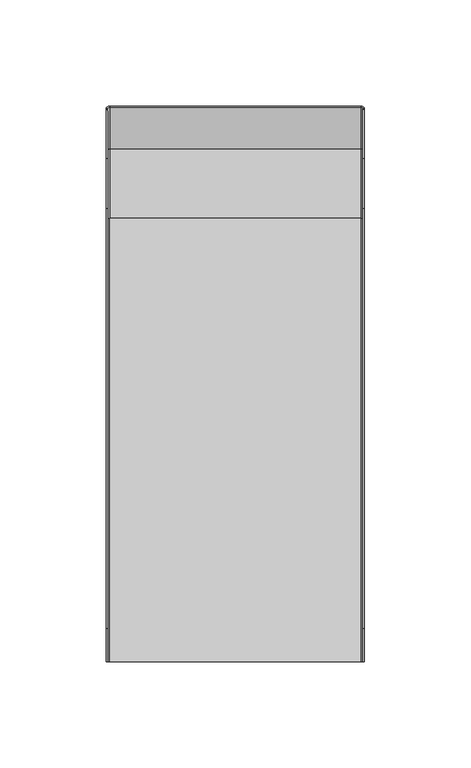
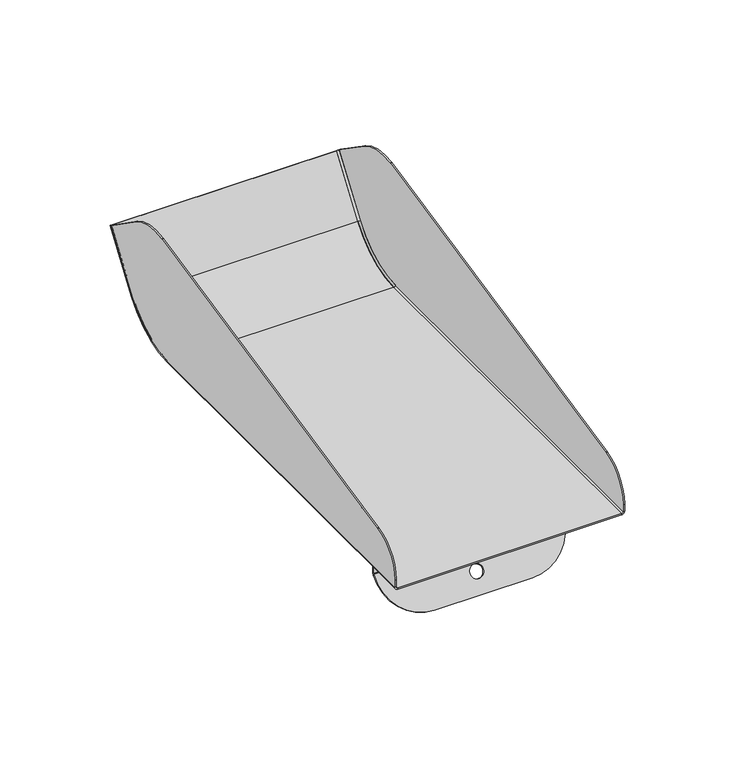
"""IFC4 building model written with IfcOpenShell, lengths in millimetres: proxy geometry."""

import ifcopenshell
import ifcopenshell.guid

model = None  # the IFC model being written
_history = None  # IfcOwnerHistory: only IFC2X3 demands one
_inside = {}  # id of a spatial element -> (the spatial element, [elements in it])
_under = {}  # id of a project, library or spatial element -> (it, [spatial elements below it])
_declared = {}  # id of a project -> (the project, [libraries it declares])
_typed = {}  # id of a type object -> (the type object, [elements of that type])
_made_of = {}  # id of a material, layer set ... -> (it, [elements and type objects made of it])


def new_model(schema):
    """Start an empty IFC model of exactly this schema.

    Asked for "IFC4X3", IfcOpenShell would pick the latest addendum, in which some entities
    have other attributes; the version numbers below select the first issue.
    IFC2X3 requires an IfcOwnerHistory on every rooted entity: one is made here for all.
    """
    global model, _history
    if schema == "IFC4X3":
        model = ifcopenshell.file(schema_version=(4, 3, 0, 0))
    else:
        model = ifcopenshell.file(schema=schema)
    _inside.clear()
    _under.clear()
    _declared.clear()
    _typed.clear()
    _made_of.clear()
    _history = None
    if model.schema == "IFC2X3":
        org = make("IfcOrganization", Name="unknown")
        user = make(
            "IfcPersonAndOrganization",
            ThePerson=make("IfcPerson", FamilyName="unknown"),
            TheOrganization=org,
        )
        app = make(
            "IfcApplication",
            ApplicationDeveloper=org,
            Version="unknown",
            ApplicationFullName="unknown",
            ApplicationIdentifier="unknown",
        )
        _history = make(
            "IfcOwnerHistory",
            OwningUser=user,
            OwningApplication=app,
            ChangeAction="ADDED",
            CreationDate=0,
        )
    return model


def make(cls, **values):
    """One entity of the class cls with the attributes given. An attribute that is None is left unset."""
    return model.create_entity(
        cls, **{name: value for name, value in values.items() if value is not None}
    )


def rooted(cls, **values):
    """An entity with a GlobalId (a new one), such as an element, a storey or a relation."""
    return make(cls, GlobalId=ifcopenshell.guid.new(), OwnerHistory=_history, **values)


def si_unit(unit_type, name, prefix=None):
    """IfcSIUnit, for example si_unit("LENGTHUNIT", "METRE", prefix="MILLI")."""
    return make("IfcSIUnit", UnitType=unit_type, Prefix=prefix, Name=name)


def assignment(units):
    """IfcUnitAssignment: the units of a project."""
    return None if units is None else make("IfcUnitAssignment", Units=units)


def point(xyz):
    """IfcCartesianPoint."""
    return None if xyz is None else make("IfcCartesianPoint", Coordinates=xyz)


def direction(xyz):
    """IfcDirection."""
    return None if xyz is None else make("IfcDirection", DirectionRatios=xyz)


def frame(location, z_axis=None, x_axis=None):
    """IfcAxis2Placement3D, a coordinate frame: its origin and axes. An axis left out is left unset."""
    return make(
        "IfcAxis2Placement3D",
        Location=point(location),
        Axis=direction(z_axis),
        RefDirection=direction(x_axis),
    )


def origin():
    """The frame at (0, 0, 0) with its axes left unset."""
    return frame((0.0, 0.0, 0.0))


def place(relative_to, where):
    """IfcLocalPlacement: puts the frame where relative to a parent placement (None: the world)."""
    return make(
        "IfcLocalPlacement", PlacementRelTo=relative_to, RelativePlacement=where
    )


def context(
    kind, dimensions, precision=None, world=None, true_north=None, identifier=None
):
    """IfcGeometricRepresentationContext, for example the 3D "Model" context."""
    return make(
        "IfcGeometricRepresentationContext",
        ContextIdentifier=identifier,
        ContextType=kind,
        CoordinateSpaceDimension=dimensions,
        Precision=precision,
        WorldCoordinateSystem=world,
        TrueNorth=true_north,
    )


def project(units=None, contexts=None):
    """IfcProject with its units and contexts."""
    return rooted(
        "IfcProject",
        Name="project",
        RepresentationContexts=contexts,
        UnitsInContext=assignment(units),
    )


def spatial(cls, under=None, at=None, **own):
    """A site, building, storey or space (cls), placed at a placement, below another one or the project."""
    s = rooted(cls, ObjectPlacement=at, **own)
    if under is not None:
        _under.setdefault(under.id(), (under, []))[1].append(s)
    return s


def polyline(points):
    """IfcPolyline through the points."""
    return make("IfcPolyline", Points=[point(p) for p in points])


def circle_curve(where, radius):
    """IfcCircle in the frame where."""
    return make("IfcCircle", Position=where, Radius=radius)


def ellipse_curve(where, semi_axis1, semi_axis2):
    """IfcEllipse in the frame where."""
    return make(
        "IfcEllipse", Position=where, SemiAxis1=semi_axis1, SemiAxis2=semi_axis2
    )


def trimmed(basis, trim1, trim2, sense, master):
    """IfcTrimmedCurve: the piece of a basis curve between two trims."""
    return make(
        "IfcTrimmedCurve",
        BasisCurve=basis,
        Trim1=trim1,
        Trim2=trim2,
        SenseAgreement=sense,
        MasterRepresentation=master,
    )


def shape(context_of_items, identifier, shape_type, items):
    """IfcShapeRepresentation: the items that make up one representation, for example the "Body"."""
    return make(
        "IfcShapeRepresentation",
        ContextOfItems=context_of_items,
        RepresentationIdentifier=identifier,
        RepresentationType=shape_type,
        Items=items,
    )


def source(mapping_origin, context_of_items, identifier, shape_type, items):
    """IfcRepresentationMap: a shape defined once, which mapped items show again and again."""
    return make(
        "IfcRepresentationMap",
        MappingOrigin=mapping_origin,
        MappedRepresentation=shape(context_of_items, identifier, shape_type, items),
    )


def transform(
    local_origin,
    x_axis=None,
    y_axis=None,
    z_axis=None,
    scale=None,
    scale2=None,
    scale3=None,
    uniform=True,
):
    """IfcCartesianTransformationOperator3D, or its non-uniform kind. x_axis, y_axis, z_axis: its Axis1, 2, 3."""
    if uniform:
        return make(
            "IfcCartesianTransformationOperator3D",
            Axis1=direction(x_axis),
            Axis2=direction(y_axis),
            LocalOrigin=point(local_origin),
            Scale=scale,
            Axis3=direction(z_axis),
        )
    return make(
        "IfcCartesianTransformationOperator3DnonUniform",
        Axis1=direction(x_axis),
        Axis2=direction(y_axis),
        LocalOrigin=point(local_origin),
        Scale=scale,
        Axis3=direction(z_axis),
        Scale2=scale2,
        Scale3=scale3,
    )


def mapped(mapping_source, mapping_target):
    """IfcMappedItem: shows the shape of a source again, moved by a transform."""
    return make(
        "IfcMappedItem", MappingSource=mapping_source, MappingTarget=mapping_target
    )


def made_of(thing, what):
    """Note that an element or type object is made of a material, layer set ...; save() writes the relation."""
    if what is not None:
        _made_of.setdefault(what.id(), (what, []))[1].append(thing)
    return thing


def element(
    cls,
    number,
    at=None,
    inside=None,
    cuts=None,
    type_object=None,
    material=None,
    context=None,
    identifier="Body",
    shape_type=None,
    held_by="IfcProductDefinitionShape",
    body=None,
    shapes=None,
    **own,
):
    """One element of the class cls, such as IfcWall. Its Tag is "e" and its number.

    at: its placement. inside: the storey or other place that contains it. cuts: it is an
    opening in that element (IfcRelVoidsElement). A single representation is given by context,
    identifier, shape_type and body (its items); several are given by shapes. held_by: the class
    of the entity that holds the representations. save() writes the other relations.
    """
    e = rooted(cls, Tag="e%d" % number, ObjectPlacement=at, **own)
    if body is not None:
        shapes = [shape(context, identifier, shape_type, body)]
    if shapes is not None:
        e.Representation = make(held_by, Representations=shapes)
    if inside is not None:
        _inside.setdefault(inside.id(), (inside, []))[1].append(e)
    if cuts is not None:
        rooted(
            "IfcRelVoidsElement", RelatingBuildingElement=cuts, RelatedOpeningElement=e
        )
    if type_object is not None:
        _typed.setdefault(type_object.id(), (type_object, []))[1].append(e)
    return made_of(e, material)


def aggregate(whole, parts):
    """IfcRelAggregates: a whole, such as a stair, and the parts it consists of."""
    return rooted("IfcRelAggregates", RelatingObject=whole, RelatedObjects=parts)


def save(model, path):
    """Write the relations noted so far, then the file.

    IfcRelAggregates (storeys below a building ...), IfcRelContainedInSpatialStructure (elements
    in a storey), IfcRelDefinesByType, IfcRelAssociatesMaterial and IfcRelDeclares: one each for
    every whole, place, type object, material and project.
    """
    for whole, parts in _under.values():
        aggregate(whole, parts)
    for where, things in _inside.values():
        rooted(
            "IfcRelContainedInSpatialStructure",
            RelatedElements=things,
            RelatingStructure=where,
        )
    for kind, things in _typed.values():
        rooted("IfcRelDefinesByType", RelatedObjects=things, RelatingType=kind)
    for what, things in _made_of.values():
        rooted("IfcRelAssociatesMaterial", RelatedObjects=things, RelatingMaterial=what)
    for by, libraries in _declared.values():
        rooted("IfcRelDeclares", RelatingContext=by, RelatedDefinitions=libraries)
    model.write(path)


def plane_surface(at):
    """IfcPlane: the flat surface through the origin of the frame at, square to its z axis."""
    return make("IfcPlane", Position=at)


def cylinder_surface(at, radius):
    """IfcCylindricalSurface: all points at the distance radius from the z axis of the frame at."""
    return make("IfcCylindricalSurface", Position=at, Radius=radius)


def revolved_surface(curve, axis_point, axis_direction):
    """IfcSurfaceOfRevolution: the curve turned about the line through axis_point along axis_direction."""
    return make(
        "IfcSurfaceOfRevolution",
        SweptCurve=make("IfcArbitraryOpenProfileDef", ProfileType="CURVE", Curve=curve),
        AxisPosition=make("IfcAxis1Placement", Location=point(axis_point), Axis=direction(axis_direction)),
    )


def advanced_brep(points, edges, surfaces, faces):
    """IfcAdvancedBrep: a solid bounded by faces that lie on surfaces and meet in shared edges.

    An edge is (start, end): straight between two places in points (the first is 0);
    or (start, end, curve); or (start, end, curve, False) where it runs against its curve.
    A face is (place in surfaces, loops), or (place, loops, False) where it looks against
    its surface's normal. A loop lists edges by number (the first is 1), with a minus sign
    where the edge is run from its end to its start. The first loop is the outer one.
    """
    corners = [point(p) for p in points]
    vertices = [make("IfcVertexPoint", VertexGeometry=c) for c in corners]
    made = []
    for start, end, *more in edges:
        made.append(
            make(
                "IfcEdgeCurve",
                EdgeStart=vertices[start],
                EdgeEnd=vertices[end],
                EdgeGeometry=more[0] if more else make("IfcPolyline", Points=[corners[start], corners[end]]),
                SameSense=more[1] if len(more) > 1 else True,
            )
        )
    hull = []
    for where, loops, *sense in faces:
        bounds = []
        for j, loop in enumerate(loops):
            ring = [make("IfcOrientedEdge", EdgeElement=made[abs(k) - 1], Orientation=k > 0) for k in loop]
            bounds.append(
                make(
                    "IfcFaceOuterBound" if j == 0 else "IfcFaceBound",
                    Bound=make("IfcEdgeLoop", EdgeList=ring),
                    Orientation=True,
                )
            )
        hull.append(make("IfcAdvancedFace", Bounds=bounds, FaceSurface=surfaces[where], SameSense=sense[0] if sense else True))
    return make("IfcAdvancedBrep", Outer=make("IfcClosedShell", CfsFaces=hull))


def generic_models_b7e87c61(model_context):
    return source(origin(), model_context, "Body", "AdvancedBrep", [
        advanced_brep(
        [(-59.2, 260.8914602, 45.5123347), (-60.0, 260.2361385, 45.9711959), (-60.0, 240.8716245, 18.3158037), (-59.2, 241.5269461, 17.8569425), (-60.8, 260.2361385, 45.9711959), (-60.8, 240.8716245, 18.3158037), (-59.2, 261.5467818, 45.0534736), (-59.2, 242.1822677, 17.3980814), (-59.2, 208.7608643, 0.0), (-60.8, 208.7608643, 1.6), (-59.2, 208.7608643, 0.8), (-60.0, 208.7608643, 1.6)],
        [
            (0, 1, circle_curve(frame((-59.2, 260.2361385, 45.9711959), z_axis=(0.0, 0.5735764363510462, 0.8191520442889917), x_axis=(0.0, -0.8191520442889917, 0.5735764363510462)), 0.8)),
            (1, 2),
            (2, 3, circle_curve(frame((-59.2, 240.8716245, 18.3158037), z_axis=(0.0, -0.5735764363510462, -0.8191520442889917), x_axis=(0.0, -0.8191520442889917, 0.5735764363510462)), 0.8)),
            (3, 0),
            (1, 4),
            (4, 5),
            (5, 2),
            (4, 6, circle_curve(frame((-59.2, 260.2361385, 45.9711959), z_axis=(0.0, -0.5735764363510462, -0.8191520442889917), x_axis=(0.0, 0.8191520442889917, -0.5735764363510462)), 1.6)),
            (6, 7),
            (7, 5, circle_curve(frame((-59.2, 240.8716245, 18.3158037), z_axis=(0.0, 0.5735764363510462, 0.8191520442889917), x_axis=(0.0, 0.8191520442889917, -0.5735764363510462)), 1.6)),
            (0, 6),
            (7, 8, circle_curve(frame((-59.2, 208.7608643, 40.8), z_axis=(-1.0, 0.0, 0.0), x_axis=(0.0, 0.0, -1.0)), 40.8)),
            (8, 9, circle_curve(frame((-59.2, 208.7608643, 1.6), z_axis=(0.0, 1.0, 0.0), x_axis=(0.0, 0.0, -1.0)), 1.6)),
            (9, 5, circle_curve(frame((-60.8, 208.7608643, 40.8), z_axis=(1.0, 0.0, 0.0), x_axis=(0.0, 0.0, -1.0)), 39.2)),
            (3, 10, circle_curve(frame((-59.2, 208.7608643, 40.8), z_axis=(-1.0, 0.0, 0.0), x_axis=(0.0, 0.0, -1.0)), 40.0)),
            (10, 8),
            (2, 11, circle_curve(frame((-60.0, 208.7608643, 40.8), z_axis=(-1.0, 0.0, 0.0), x_axis=(0.0, 0.0, -1.0)), 39.2)),
            (11, 10, circle_curve(frame((-59.2, 208.7608643, 1.6), z_axis=(0.0, -1.0, 0.0), x_axis=(0.0, 0.0, -1.0)), 0.8)),
            (9, 11),
        ],
        [
            revolved_surface(polyline([(-59.2, 259.5808169253529, 46.43005700651932), (-59.2, 240.21630282898812, 18.77466479826635)]), (-59.2, 240.8716245, 18.3158037), (0.0, 0.5735764363510462, 0.8191520442889917)),
            plane_surface(frame((-60.0, 240.8716245, 18.3158037), z_axis=(0.0, -0.8191520442889919, 0.5735764363510462), x_axis=(0.0, -0.5735764363510462, -0.8191520442889919))),
            cylinder_surface(frame((-59.2, 240.8716245, 18.3158037), z_axis=(0.0, 0.5735764363510462, 0.8191520442889917), x_axis=(0.0, 0.8191520442889917, -0.5735764363510462)), 1.6),
            plane_surface(frame((-59.9619467, 260.8602888, 45.5341612), z_axis=(0.0, 0.573576436351046, 0.8191520442889919), x_axis=(0.0, -0.8191520442889919, 0.573576436351046))),
            revolved_surface(trimmed(ellipse_curve(frame((-59.2, 208.7608643, 1.6), z_axis=(0.0, -1.0, 0.0), x_axis=(0.0, 0.0, -1.0)), 1.6, 1.6), [point((-60.8, 208.7608643, 1.6))], [point((-59.2, 208.7608643, 0.0))], True, "CARTESIAN"), (-59.2, 208.7608643, 40.8), (1.0, 0.0, 0.0)),
            plane_surface(frame((-59.2, 208.7608643, 0.4), z_axis=(1.0, 0.0, 0.0), x_axis=(0.0, 1.0, 0.0))),
            revolved_surface(trimmed(ellipse_curve(frame((-59.2, 208.7608643, 1.6), z_axis=(0.0, 1.0, 0.0), x_axis=(0.0, 0.0, -1.0)), 0.8, 0.8), [point((-59.2, 208.7608643, 0.8))], [point((-60.0, 208.7608643, 1.6))], True, "CARTESIAN"), (-59.2, 208.7608643, 40.8), (1.0, 0.0, 0.0)),
            revolved_surface(polyline([(-60.0, 208.7608643, 1.5999999999999943), (-60.8, 208.7608643, 1.5999999999999943)]), (-60.4, 208.7608643, 40.8), (1.0, 0.0, 0.0)),
            plane_surface(frame((-59.9619467, 208.7608643, 0.8380533), z_axis=(0.0, -1.0, 0.0), x_axis=(0.0, 0.0, 1.0))),
        ],
        [
            (0, [[1, 2, 3, 4]]),
            (1, [[5, 6, 7, -2]]),
            (2, [[8, 9, 10, -6]]),
            (3, [[11, -8, -5, -1]]),
            (4, [[-10, 12, 13, 14]]),
            (5, [[15, 16, -12, -9, -11, -4]]),
            (6, [[-3, 17, 18, -15]]),
            (7, [[-7, -14, 19, -17]]),
            (8, [[-19, -13, -16, -18]]),
        ],
    ),
        advanced_brep(
        [(60.0, 260.2361385, 45.9711959), (59.2, 260.8914602, 45.5123347), (59.2, 241.5269461, 17.8569425), (60.0, 240.8716245, 18.3158037), (60.8, 260.2361385, 45.9711959), (60.8, 240.8716245, 18.3158037), (59.2, 261.5467818, 45.0534736), (59.2, 242.1822677, 17.3980814), (60.8, 208.7608643, 1.6), (59.2, 208.7608643, 0.0), (59.2, 208.7608643, 0.8), (60.0, 208.7608643, 1.6)],
        [
            (0, 1, circle_curve(frame((59.2, 260.2361385, 45.9711959), z_axis=(0.0, 0.5735764363510462, 0.8191520442889917), x_axis=(0.0, -0.8191520442889917, 0.5735764363510462)), 0.8)),
            (1, 2),
            (2, 3, circle_curve(frame((59.2, 240.8716245, 18.3158037), z_axis=(0.0, -0.5735764363510462, -0.8191520442889917), x_axis=(0.0, -0.8191520442889917, 0.5735764363510462)), 0.8)),
            (3, 0),
            (4, 0),
            (3, 5),
            (5, 4),
            (6, 4, circle_curve(frame((59.2, 260.2361385, 45.9711959), z_axis=(0.0, -0.5735764363510462, -0.8191520442889917), x_axis=(0.0, 0.8191520442889917, -0.5735764363510462)), 1.6)),
            (5, 7, circle_curve(frame((59.2, 240.8716245, 18.3158037), z_axis=(0.0, 0.5735764363510462, 0.8191520442889917), x_axis=(0.0, 0.8191520442889917, -0.5735764363510462)), 1.6)),
            (7, 6),
            (6, 1),
            (5, 8, circle_curve(frame((60.8, 208.7608643, 40.8), z_axis=(-1.0, 0.0, 0.0), x_axis=(0.0, 0.0, -1.0)), 39.2)),
            (8, 9, circle_curve(frame((59.2, 208.7608643, 1.6), z_axis=(0.0, 1.0, 0.0), x_axis=(0.0, 0.0, -1.0)), 1.6)),
            (9, 7, circle_curve(frame((59.2, 208.7608643, 40.8), z_axis=(1.0, 0.0, 0.0), x_axis=(0.0, 0.0, -1.0)), 40.8)),
            (10, 2, circle_curve(frame((59.2, 208.7608643, 40.8), z_axis=(1.0, 0.0, 0.0), x_axis=(0.0, 0.0, -1.0)), 40.0)),
            (9, 10),
            (10, 11, circle_curve(frame((59.2, 208.7608643, 1.6), z_axis=(0.0, -1.0, 0.0), x_axis=(0.0, 0.0, -1.0)), 0.8)),
            (11, 3, circle_curve(frame((60.0, 208.7608643, 40.8), z_axis=(1.0, 0.0, 0.0), x_axis=(0.0, 0.0, -1.0)), 39.2)),
            (11, 8),
        ],
        [
            revolved_surface(polyline([(59.2, 240.21630282898812, 18.77466479826635), (59.2, 259.5808169253529, 46.43005700651932)]), (59.2, 240.8716245, 18.3158037), (0.0, -0.5735764363510462, -0.8191520442889917)),
            plane_surface(frame((60.0, 240.8716245, 18.3158037), z_axis=(0.0, -0.8191520442889919, 0.5735764363510462), x_axis=(0.0, -0.5735764363510462, -0.8191520442889919))),
            cylinder_surface(frame((59.2, 240.8716245, 18.3158037), z_axis=(0.0, -0.5735764363510462, -0.8191520442889917), x_axis=(0.0, 0.8191520442889917, -0.5735764363510462)), 1.6),
            plane_surface(frame((59.9619467, 260.8602888, 45.5341612), z_axis=(0.0, 0.573576436351046, 0.8191520442889919), x_axis=(0.0, -0.8191520442889919, 0.573576436351046))),
            revolved_surface(trimmed(ellipse_curve(frame((59.2, 208.7608643, 1.6), z_axis=(0.0, -1.0, 0.0), x_axis=(0.0, 0.0, -1.0)), 1.6, 1.6), [point((59.2, 208.7608643, 0.0))], [point((60.8, 208.7608643, 1.6))], True, "CARTESIAN"), (59.2, 208.7608643, 40.8), (1.0, 0.0, 0.0)),
            plane_surface(frame((59.2, 208.7608643, 0.4), z_axis=(-1.0, 0.0, 0.0), x_axis=(0.0, 1.0, 0.0))),
            revolved_surface(trimmed(ellipse_curve(frame((59.2, 208.7608643, 1.6), z_axis=(0.0, 1.0, 0.0), x_axis=(0.0, 0.0, -1.0)), 0.8, 0.8), [point((60.0, 208.7608643, 1.6))], [point((59.2, 208.7608643, 0.8))], True, "CARTESIAN"), (59.2, 208.7608643, 40.8), (1.0, 0.0, 0.0)),
            revolved_surface(polyline([(60.8, 208.7608643, 1.5999999999999943), (60.0, 208.7608643, 1.5999999999999943)]), (60.4, 208.7608643, 40.8), (1.0, 0.0, 0.0)),
            plane_surface(frame((59.9619467, 208.7608643, 0.8380533), z_axis=(0.0, -1.0, 0.0), x_axis=(0.0, 0.0, 1.0))),
        ],
        [
            (0, [[1, 2, 3, 4]]),
            (1, [[5, -4, 6, 7]]),
            (2, [[8, -7, 9, 10]]),
            (3, [[11, -1, -5, -8]]),
            (4, [[-9, 12, 13, 14]]),
            (5, [[15, -2, -11, -10, -14, 16]]),
            (6, [[-3, -15, 17, 18]]),
            (7, [[-6, -18, 19, -12]]),
            (8, [[-19, -17, -16, -13]]),
        ],
    ),
        advanced_brep(
        [(60.0, 236.9153597, 62.3004154), (60.0, 213.4707159, 67.0702821), (60.8, 213.4707159, 67.0702821), (60.8, 236.9153597, 62.3004154), (60.0, 260.2360607, 45.9710847), (60.0, 240.8716245, 18.3158037), (60.0, 208.7608643, 1.6), (60.0, 0.0, 1.6), (60.0, 0.0, 5.5), (60.0, 15.8417662, 25.062952), (60.8, 260.2360607, 45.9710847), (-60.0, 213.4707159, 67.0702821), (-60.0, 236.9153597, 62.3004154), (-60.8, 236.9153597, 62.3004154), (-60.8, 213.4707159, 67.0702821), (-60.8, 260.2360607, 45.9710847), (-60.8, 240.8716245, 18.3158037), (-60.8, 208.7608643, 1.6), (-60.8, 0.0, 1.6), (-60.8, 0.0, 5.5), (-60.8, 15.8417662, 25.062952), (-60.0, 260.2360607, 45.9710847), (60.8, 240.8716245, 18.3158037), (60.8, 208.7608643, 1.6), (-60.0, 240.8716245, 18.3158037), (-60.0, 208.7608643, 1.6), (59.2, 241.5269461, 17.8569425), (59.2, 260.8913824, 45.5122236), (-59.2, 260.8913824, 45.5122236), (-59.2, 241.5269461, 17.8569425), (59.2, 261.546704, 45.0533624), (-59.2, 261.546704, 45.0533624), (59.2, 242.1822677, 17.3980814), (-59.2, 242.1822677, 17.3980814), (59.2, 208.7608643, 0.0), (59.2, 208.7608643, 0.8), (59.2, 0.0, 0.8), (60.8, 0.0, 1.6), (59.2, 0.0, 0.0), (60.8, 0.0, 5.5), (60.8, 15.8417662, 25.062952), (-59.2, 208.7608643, 0.0), (-59.2, 208.7608643, 0.8), (-59.2, 0.0, 0.8), (-60.0, 0.0, 1.6), (-60.0, 0.0, 5.5), (-60.0, 15.8417662, 25.062952), (-59.2, 0.0, 0.0)],
        [
            (0, 1, circle_curve(frame((60.0, 219.7080666, 37.725854), z_axis=(1.0, 0.0, 0.0), x_axis=(0.0, 0.1993679344171962, 0.9799247046208297)), 30.0)),
            (1, 2),
            (2, 3, circle_curve(frame((60.8, 219.7080666, 37.725854), z_axis=(-1.0, 0.0, 0.0), x_axis=(0.0, 0.1993679344171962, 0.9799247046208297)), 30.0)),
            (3, 0),
            (0, 4),
            (4, 5),
            (5, 6, circle_curve(frame((60.0, 208.7608643, 40.8), z_axis=(-1.0, 0.0, 0.0), x_axis=(0.0, 0.8191520442889911, -0.5735764363510468)), 39.2)),
            (6, 7),
            (7, 8),
            (8, 9, circle_curve(frame((60.0, 20.0, 5.5), z_axis=(-1.0, 0.0, 0.0), x_axis=(0.0, -1.0, 0.0)), 20.0)),
            (9, 1),
            (3, 10),
            (10, 4),
            (11, 12, circle_curve(frame((-60.0, 219.7080666, 37.725854), z_axis=(-1.0, 0.0, 0.0), x_axis=(0.0, 0.1993679344171974, 0.9799247046208296)), 30.0)),
            (12, 13),
            (13, 14, circle_curve(frame((-60.8, 219.7080666, 37.725854), z_axis=(1.0, 0.0, 0.0), x_axis=(0.0, 0.1993679344171974, 0.9799247046208296)), 30.0)),
            (14, 11),
            (13, 15),
            (15, 16),
            (16, 17, circle_curve(frame((-60.8, 208.7608643, 40.8), z_axis=(-1.0, 0.0, 0.0), x_axis=(0.0, 0.8191520442889911, -0.5735764363510468)), 39.2)),
            (17, 18),
            (18, 19),
            (19, 20, circle_curve(frame((-60.8, 20.0, 5.5), z_axis=(-1.0, 0.0, 0.0), x_axis=(0.0, -1.0, 0.0)), 20.0)),
            (20, 14),
            (12, 21),
            (21, 15),
            (10, 22),
            (22, 5),
            (22, 23, circle_curve(frame((60.8, 208.7608643, 40.8), z_axis=(-1.0, 0.0, 0.0), x_axis=(0.0, 0.8191520442889911, -0.5735764363510468)), 39.2)),
            (23, 6),
            (21, 24),
            (24, 16),
            (24, 25, circle_curve(frame((-60.0, 208.7608643, 40.8), z_axis=(-1.0, 0.0, 0.0), x_axis=(0.0, 0.8191520442889911, -0.5735764363510468)), 39.2)),
            (25, 17),
            (26, 27),
            (27, 28),
            (28, 29),
            (29, 26),
            (30, 31),
            (31, 28),
            (27, 30),
            (32, 33),
            (33, 31),
            (30, 32),
            (23, 34, circle_curve(frame((59.2, 208.7608643, 1.6), z_axis=(0.0, 1.0, 0.0), x_axis=(0.0, 0.0, -1.0)), 1.6)),
            (34, 35),
            (35, 6, circle_curve(frame((59.2, 208.7608643, 1.6), z_axis=(0.0, -1.0, 0.0), x_axis=(0.0, 0.0, -1.0)), 0.8)),
            (35, 36),
            (36, 7, circle_curve(frame((59.2, 0.0, 1.6), z_axis=(0.0, -1.0, 0.0), x_axis=(0.0, 0.0, -1.0)), 0.8)),
            (37, 7),
            (36, 38),
            (38, 37, circle_curve(frame((59.2, 0.0, 1.6), z_axis=(0.0, -1.0, 0.0), x_axis=(0.0, 0.0, -1.0)), 1.6)),
            (23, 37),
            (38, 34),
            (37, 39),
            (39, 8),
            (9, 40),
            (40, 2),
            (39, 40, circle_curve(frame((60.8, 20.0, 5.5), z_axis=(-1.0, 0.0, 0.0), x_axis=(0.0, -1.0, 0.0)), 20.0)),
            (34, 32, circle_curve(frame((59.2, 208.7608643, 40.8), z_axis=(1.0, 0.0, 0.0), x_axis=(0.0, 0.8191520442889922, -0.5735764363510453)), 40.8)),
            (26, 35, circle_curve(frame((59.2, 208.7608643, 40.8), z_axis=(-1.0, 0.0, 0.0), x_axis=(0.0, 0.8191520442889921, -0.5735764363510456)), 40.0)),
            (34, 41),
            (41, 33, circle_curve(frame((-59.2, 208.7608643, 40.8), z_axis=(1.0, 0.0, 0.0), x_axis=(0.0, 0.8191520442889922, -0.5735764363510453)), 40.8)),
            (35, 42),
            (42, 43),
            (43, 36),
            (18, 44),
            (44, 45),
            (45, 19),
            (11, 46),
            (46, 45, circle_curve(frame((-60.0, 20.0, 5.5), z_axis=(1.0, 0.0, 0.0), x_axis=(0.0, -1.0, 0.0)), 20.0)),
            (44, 25),
            (20, 46),
            (25, 42, circle_curve(frame((-59.2, 208.7608643, 1.6), z_axis=(0.0, -1.0, 0.0), x_axis=(0.0, 0.0, -1.0)), 0.8)),
            (42, 41),
            (41, 17, circle_curve(frame((-59.2, 208.7608643, 1.6), z_axis=(0.0, 1.0, 0.0), x_axis=(0.0, 0.0, -1.0)), 1.6)),
            (44, 43, circle_curve(frame((-59.2, 0.0, 1.6), z_axis=(0.0, -1.0, 0.0), x_axis=(0.0, 0.0, -1.0)), 0.8)),
            (18, 47, circle_curve(frame((-59.2, 0.0, 1.6), z_axis=(0.0, -1.0, 0.0), x_axis=(0.0, 0.0, -1.0)), 1.6)),
            (47, 43),
            (41, 47),
            (42, 29, circle_curve(frame((-59.2, 208.7608643, 40.8), z_axis=(1.0, 0.0, 0.0), x_axis=(0.0, 0.8191520442889921, -0.5735764363510456)), 40.0)),
            (47, 38),
        ],
        [
            cylinder_surface(frame((60.4, 219.7080666, 37.725854), z_axis=(-0.9999999999999998, 0.0, 0.0), x_axis=(0.0, 0.1993679344171962, 0.9799247046208297)), 30.0),
            plane_surface(frame((60.0, 114.7185301, 23.4755225), z_axis=(-1.0, 0.0, 0.0), x_axis=(0.0, 0.0, -1.0))),
            plane_surface(frame((60.8, 226.2300364, 69.7823593), z_axis=(0.0, 0.5735764363510462, 0.8191520442889919), x_axis=(-1.0, 0.0, 0.0))),
            cylinder_surface(frame((-60.4, 219.7080666, 37.725854), z_axis=(1.0, 0.0, 0.0), x_axis=(0.0, 0.1993679344171974, 0.9799247046208296)), 30.0),
            plane_surface(frame((-60.8, 114.7185301, 23.4755225), z_axis=(-1.0, 0.0, 0.0), x_axis=(0.0, 0.0, -1.0))),
            plane_surface(frame((-60.8, 226.2300364, 69.7823593), z_axis=(0.0, 0.5735764363510462, 0.8191520442889919), x_axis=(1.0, 0.0, 0.0))),
            plane_surface(frame((60.8, 260.2360607, 45.9710847), z_axis=(0.0, 0.8191520442889917, -0.5735764363510464), x_axis=(1.0, 0.0, 0.0))),
            cylinder_surface(frame((60.8, 208.7608643, 40.8), z_axis=(0.9999999999999998, 0.0, 0.0), x_axis=(0.0, 0.8191520442889911, -0.5735764363510468)), 39.2),
            plane_surface(frame((-60.8, 260.2360607, 45.9710847), z_axis=(0.0, 0.8191520442889917, -0.5735764363510464), x_axis=(-1.0, 0.0, 0.0))),
            cylinder_surface(frame((-60.8, 208.7608643, 40.8), z_axis=(0.9999999999999998, 0.0, 0.0), x_axis=(0.0, 0.8191520442889911, -0.5735764363510468)), 39.2),
            plane_surface(frame((0.0, 240.1003827, 15.8195988), z_axis=(0.0, -0.8191520442889918, 0.5735764363510462), x_axis=(1.0, 0.0, 0.0))),
            plane_surface(frame((60.0, 260.8913824, 45.5122236), z_axis=(0.0, 0.5735764363510456, 0.8191520442889921), x_axis=(0.0, -0.8191520442889921, 0.5735764363510456))),
            plane_surface(frame((0.0, 240.7557043, 15.3607376), z_axis=(0.0, 0.8191520442889918, -0.5735764363510462), x_axis=(1.0, 0.0, 0.0))),
            plane_surface(frame((59.2, 208.7608643, 0.4), z_axis=(0.0, 1.0, 0.0), x_axis=(0.0, 0.0, 1.0))),
            revolved_surface(polyline([(59.2, 0.0, 0.8), (59.2, 208.7608643, 0.8)]), (59.2, 104.3804322, 1.6), (0.0, -1.0, 0.0)),
            plane_surface(frame((59.2, 0.0, 0.4), z_axis=(0.0, -1.0, 0.0), x_axis=(0.0, 0.0, -1.0))),
            cylinder_surface(frame((59.2, 104.3804322, 1.6), z_axis=(0.0, -1.0, 0.0), x_axis=(0.0, 0.0, -1.0)), 1.6),
            plane_surface(frame((60.0, 0.0, 5.5), z_axis=(0.0, -1.0, 0.0), x_axis=(0.0, 0.0, -1.0))),
            plane_surface(frame((60.0, 208.7608643, 66.0691722), z_axis=(0.0, -0.20791169081775907, 0.9781476007338057), x_axis=(-1.0, 0.0, 0.0))),
            cylinder_surface(frame((60.0, 20.0, 5.5), z_axis=(-1.0, 0.0, 0.0), x_axis=(0.0, -1.0, 0.0)), 20.0),
            plane_surface(frame((60.8, 114.7185301, 23.4755225), z_axis=(1.0, 0.0, 0.0), x_axis=(0.0, 0.0, -1.0))),
            plane_surface(frame((59.2, 226.5439426, 6.6390245), z_axis=(1.0, 0.0, 0.0), x_axis=(0.0, 0.0, -1.0))),
            cylinder_surface(frame((60.0, 208.7608643, 40.8), z_axis=(0.9999999999999998, 0.0, 0.0), x_axis=(0.0, 0.8191520442889922, -0.5735764363510453)), 40.8),
            plane_surface(frame((0.0, 115.0, 0.8), z_axis=(0.0, 0.0, 1.0), x_axis=(1.0, 0.0, 0.0))),
            plane_surface(frame((-60.0, 0.0, 5.5), z_axis=(0.0, -1.0, 0.0), x_axis=(0.0, 0.0, -1.0))),
            plane_surface(frame((-60.0, 114.7185301, 23.4755225), z_axis=(1.0, 0.0, 0.0), x_axis=(0.0, 0.0, -1.0))),
            plane_surface(frame((-60.0, 208.7608643, 66.0691722), z_axis=(0.0, -0.20791169081775907, 0.9781476007338057), x_axis=(1.0, 0.0, 0.0))),
            cylinder_surface(frame((-60.0, 20.0, 5.5), z_axis=(-1.0, 0.0, 0.0), x_axis=(0.0, -1.0, 0.0)), 20.0),
            plane_surface(frame((-59.2, 208.7608643, 0.4), z_axis=(0.0, 1.0, 0.0), x_axis=(0.0, 0.0, 1.0))),
            revolved_surface(polyline([(-59.2, 208.7608643, 0.8), (-59.2, 0.0, 0.8)]), (-59.2, 104.3804322, 1.6), (0.0, 1.0, 0.0)),
            plane_surface(frame((-59.2, 0.0, 0.4), z_axis=(0.0, -1.0, 0.0), x_axis=(0.0, 0.0, -1.0))),
            cylinder_surface(frame((-59.2, 104.3804322, 1.6), z_axis=(0.0, 1.0, 0.0), x_axis=(0.0, 0.0, -1.0)), 1.6),
            plane_surface(frame((-59.2, 226.5439426, 6.6390245), z_axis=(-1.0, 0.0, 0.0), x_axis=(0.0, 0.0, -1.0))),
            revolved_surface(polyline([(59.2, 241.52694607155968, 17.856942545958173), (-59.2, 241.52694607155968, 17.856942545958173)]), (-60.0, 208.7608643, 40.8), (1.0, 0.0, 0.0)),
            plane_surface(frame((60.0, 0.0, 0.0), z_axis=(0.0, -1.0, 0.0), x_axis=(0.0, 0.0, -1.0))),
            plane_surface(frame((0.0, 115.0, 0.0), z_axis=(0.0, 0.0, -1.0), x_axis=(1.0, 0.0, 0.0))),
        ],
        [
            (0, [[1, 2, 3, 4]]),
            (1, [[-1, 5, 6, 7, 8, 9, 10, 11]]),
            (2, [[-4, 12, 13, -5]]),
            (3, [[14, 15, 16, 17]]),
            (4, [[-16, 18, 19, 20, 21, 22, 23, 24]]),
            (5, [[-15, 25, 26, -18]]),
            (6, [[-6, -13, 27, 28]]),
            (7, [[-7, -28, 29, 30]]),
            (8, [[31, 32, -19, -26]]),
            (9, [[33, 34, -20, -32]]),
            (10, [[35, 36, 37, 38]]),
            (11, [[39, 40, -36, 41]]),
            (12, [[42, 43, -39, 44]]),
            (13, [[-30, 45, 46, 47]]),
            (14, [[-8, -47, 48, 49]]),
            (15, [[50, -49, 51, 52]]),
            (16, [[53, -52, 54, -45]]),
            (17, [[-50, 55, 56, -9]]),
            (18, [[-2, -11, 57, 58]]),
            (19, [[59, -57, -10, -56]]),
            (20, [[-3, -58, -59, -55, -53, -29, -27, -12]]),
            (21, [[60, -44, -41, -35, 61, -46]]),
            (22, [[-60, 62, 63, -42]]),
            (23, [[-48, 64, 65, 66]]),
            (24, [[67, 68, 69, -22]]),
            (25, [[-14, 70, 71, -68, 72, -33, -31, -25]]),
            (26, [[-17, -24, 73, -70]]),
            (27, [[-23, -69, -71, -73]]),
            (28, [[-34, 74, 75, 76]]),
            (29, [[-72, 77, -65, -74]]),
            (30, [[-67, 78, 79, -77]]),
            (31, [[-21, -76, 80, -78]]),
            (32, [[-63, -75, 81, -37, -40, -43]]),
            (33, [[-61, -38, -81, -64]]),
            (34, [[-51, -66, -79, 82]]),
            (35, [[-54, -82, -80, -62]]),
        ],
    ),
        advanced_brep(
        [(3.5, 30.7699299, -29.4681286), (3.5, 30.1146083, -29.0092675), (-3.5, 30.1146083, -29.0092675), (-3.5, 30.7699299, -29.4681286), (44.0, 53.0, 0.0), (50.0, 47.0, 0.0), (50.0, 47.0, -0.8), (44.0, 53.0, -0.8), (-44.0, 53.0, -0.8), (-44.0, 53.0, 0.0), (50.0, 39.6, -0.8), (-50.0, 39.6, -0.8), (-50.0, 47.0, -0.8), (-50.0, 47.0, 0.0), (-50.0, 39.6, 0.0), (50.0, 39.6, 0.0), (-50.0, 38.0, -1.6), (50.0, 38.0, -1.6), (-50.0, 38.8, -1.6), (50.0, 38.8, -1.6), (50.0, 38.0, -17.4955219), (50.0, 38.8, -17.4955219), (-50.0, 38.0, -17.4955219), (-50.0, 38.8, -17.4955219), (50.0, 38.5106433, -18.4132442), (-50.0, 38.5106433, -18.4132442), (50.0, 37.8553216, -17.9543831), (-50.0, 37.8553216, -17.9543831), (-50.0, 38.2264236, -18.819152), (-50.0, 37.5711019, -18.3602909), (-26.0, 23.8052675, -38.01994), (-26.0, 24.4605891, -38.4788011), (26.0, 24.4605891, -38.4788011), (26.0, 23.8052675, -38.01994), (50.0, 38.2264236, -18.819152), (50.0, 37.5711019, -18.3602909)],
        [
            (0, 1),
            (1, 2, circle_curve(frame((0.0, 30.1146083, -29.0092675), z_axis=(0.0, -0.8191520442890108, 0.5735764363510075), x_axis=(1.000000000000013, 0.0, 0.0)), 3.5)),
            (2, 3),
            (3, 0, circle_curve(frame((0.0, 30.7699299, -29.4681286), z_axis=(0.0, 0.8191520442890108, -0.5735764363510075), x_axis=(1.000000000000013, 0.0, 0.0)), 3.5)),
            (0, 3, circle_curve(frame((0.0, 30.7699299, -29.4681286), z_axis=(0.0, 0.8191520442890108, -0.5735764363510075), x_axis=(1.000000000000013, 0.0, 0.0)), 3.5)),
            (2, 1, circle_curve(frame((0.0, 30.1146083, -29.0092675), z_axis=(0.0, -0.8191520442890108, 0.5735764363510075), x_axis=(1.000000000000013, 0.0, 0.0)), 3.5)),
            (4, 5, circle_curve(frame((44.0, 47.0, 0.0), z_axis=(0.0, 0.0, -0.9999999999999933), x_axis=(0.7071067811865562, 0.7071067811865434, 0.0)), 6.0)),
            (5, 6),
            (6, 7, circle_curve(frame((44.0, 47.0, -0.8), z_axis=(0.0, 0.0, 0.9999999999999933), x_axis=(0.7071067811865562, 0.7071067811865434, 0.0)), 6.0)),
            (7, 4),
            (7, 8),
            (8, 9),
            (9, 4),
            (6, 10),
            (10, 11),
            (11, 12),
            (12, 8, circle_curve(frame((-44.0, 47.0, -0.8), z_axis=(0.0, 0.0, -0.9999999999999933), x_axis=(-0.7071067811865562, 0.7071067811865434, 0.0)), 6.0)),
            (13, 9, circle_curve(frame((-44.0, 47.0, 0.0), z_axis=(0.0, 0.0, -0.9999999999999933), x_axis=(-0.7071067811865562, 0.7071067811865434, 0.0)), 6.0)),
            (12, 13),
            (11, 14),
            (14, 13),
            (15, 14),
            (14, 16, circle_curve(frame((-50.0, 39.6, -1.6), z_axis=(1.000000000000013, 0.0, 0.0), x_axis=(0.0, 0.0, 0.9999999999999934)), 1.6)),
            (16, 17),
            (17, 15, circle_curve(frame((50.0, 39.6, -1.6), z_axis=(-1.000000000000013, 0.0, 0.0), x_axis=(0.0, 0.0, 0.9999999999999934)), 1.6)),
            (5, 15),
            (15, 10),
            (11, 18, circle_curve(frame((-50.0, 39.6, -1.6), z_axis=(1.000000000000013, 0.0, 0.0), x_axis=(0.0, 0.0, 0.9999999999999933)), 0.8)),
            (18, 16),
            (17, 19),
            (19, 10, circle_curve(frame((50.0, 39.6, -1.6), z_axis=(-1.000000000000013, 0.0, 0.0), x_axis=(0.0, 0.0, 0.9999999999999933)), 0.8)),
            (19, 18),
            (17, 20),
            (20, 21),
            (21, 19),
            (16, 22),
            (22, 20),
            (23, 21),
            (21, 24, circle_curve(frame((50.0, 37.2, -17.4955219), z_axis=(-1.000000000000013, 0.0, 0.0), x_axis=(0.0, 0.9999999999999936, 0.0)), 1.6)),
            (24, 25),
            (25, 23, circle_curve(frame((-50.0, 37.2, -17.4955219), z_axis=(1.000000000000013, 0.0, 0.0), x_axis=(0.0, 0.9999999999999936, 0.0)), 1.6)),
            (18, 23),
            (23, 22),
            (20, 26, circle_curve(frame((50.0, 37.2, -17.4955219), z_axis=(-1.000000000000013, 0.0, 0.0), x_axis=(0.0, 0.9999999999999936, 0.0)), 0.8)),
            (26, 24),
            (25, 27),
            (27, 22, circle_curve(frame((-50.0, 37.2, -17.4955219), z_axis=(1.000000000000013, 0.0, 0.0), x_axis=(0.0, 0.9999999999999936, 0.0)), 0.8)),
            (27, 26),
            (25, 28),
            (28, 29),
            (29, 27),
            (30, 29, circle_curve(frame((-26.0, 37.5711019, -18.3602909), z_axis=(0.0, 0.8191520442890108, -0.5735764363510075), x_axis=(-0.7071067811865568, -0.4055797876726116, -0.5792279653395827)), 24.0)),
            (28, 31, circle_curve(frame((-26.0, 38.2264236, -18.819152), z_axis=(0.0, -0.8191520442890108, 0.5735764363510075), x_axis=(-0.7071067811865568, -0.4055797876726116, -0.5792279653395827)), 24.0)),
            (31, 30),
            (31, 32),
            (32, 33),
            (33, 30),
            (24, 34),
            (34, 32, circle_curve(frame((26.0, 38.2264236, -18.819152), z_axis=(0.0, 0.8191520442890108, -0.5735764363510075), x_axis=(0.7071067811865568, -0.4055797876726116, -0.5792279653395827)), 24.0)),
            (35, 33, circle_curve(frame((26.0, 37.5711019, -18.3602909), z_axis=(0.0, 0.8191520442890108, -0.5735764363510075), x_axis=(0.7071067811865568, -0.4055797876726116, -0.5792279653395827)), 24.0)),
            (34, 35),
            (26, 35),
        ],
        [
            revolved_surface(polyline([(3.5000000000000457, 30.114608329194283, -29.00926745830625), (3.5000000000000457, 30.76992991779035, -29.46812857459274)]), (0.0, 30.4422691, -29.238698), (0.0, -0.8191520442890108, 0.5735764363510075)),
            cylinder_surface(frame((44.0, 47.0, -0.8), z_axis=(0.0, 0.0, 0.9999999999999933), x_axis=(0.7071067811865562, 0.7071067811865434, 0.0)), 6.0),
            plane_surface(frame((-50.0, 53.0, -0.8), z_axis=(0.0, 0.9999999999999934, 0.0), x_axis=(1.000000000000013, 0.0, 0.0))),
            plane_surface(frame((0.0, 45.3952213, -0.8), z_axis=(0.0, 0.0, -0.9999999999999936), x_axis=(1.000000000000013, 0.0, 0.0))),
            cylinder_surface(frame((-44.0, 47.0, -0.8), z_axis=(0.0, 0.0, 0.9999999999999933), x_axis=(-0.7071067811865562, 0.7071067811865434, 0.0)), 6.0),
            plane_surface(frame((-50.0, 39.6, -0.8), z_axis=(-1.000000000000013, 0.0, 0.0), x_axis=(0.0, 0.5735764363510059, 0.8191520442890119))),
            cylinder_surface(frame((-50.0, 39.6, -1.6), z_axis=(-1.000000000000013, 0.0, 0.0), x_axis=(0.0, 0.0, 0.9999999999999934)), 1.6),
            plane_surface(frame((50.0, 39.6, -0.8), z_axis=(1.000000000000013, 0.0, 0.0), x_axis=(0.0, -0.5735764363510059, -0.8191520442890119))),
            plane_surface(frame((-50.0, 39.6, -0.8), z_axis=(-1.000000000000013, 0.0, 0.0), x_axis=(0.0, -0.8191520442890108, 0.5735764363510075))),
            plane_surface(frame((50.0, 39.6, 0.0), z_axis=(1.000000000000013, 0.0, 0.0), x_axis=(0.0, 0.8191520442890108, -0.5735764363510075))),
            plane_surface(frame((0.0, 45.3952213, 0.0), z_axis=(0.0, 0.0, 0.9999999999999936), x_axis=(1.000000000000013, 0.0, 0.0))),
            revolved_surface(polyline([(-50.000000000002586, 39.6, -0.8000000000000054), (50.0, 39.6, -0.8000000000000054)]), (50.0, 39.6, -1.6), (-1.0000000000000129, 0.0, 0.0)),
            plane_surface(frame((50.0, 38.0, -17.4955219), z_axis=(1.000000000000013, 0.0, 0.0), x_axis=(0.0, 0.9999999999999936, 0.0))),
            plane_surface(frame((0.0, 38.0, -9.0996193), z_axis=(0.0, -0.9999999999999936, 0.0), x_axis=(1.000000000000013, 0.0, 0.0))),
            cylinder_surface(frame((50.0, 37.2, -17.4955219), z_axis=(1.0000000000000133, 0.0, 0.0), x_axis=(0.0, 0.9999999999999936, 0.0)), 1.6),
            plane_surface(frame((-50.0, 38.0, -17.4955219), z_axis=(-1.000000000000013, 0.0, 0.0), x_axis=(0.0, -0.9999999999999936, 0.0))),
            plane_surface(frame((50.0, 38.0, -17.4955219), z_axis=(1.000000000000013, 0.0, 0.0), x_axis=(0.0, 0.8191520442890108, -0.5735764363510075))),
            plane_surface(frame((-50.0, 38.8, -17.4955219), z_axis=(-1.000000000000013, 0.0, 0.0), x_axis=(0.0, -0.8191520442890108, 0.5735764363510075))),
            plane_surface(frame((0.0, 38.8, -9.0996193), z_axis=(0.0, 0.9999999999999936, 0.0), x_axis=(1.000000000000013, 0.0, 0.0))),
            revolved_surface(polyline([(50.000000000002615, 38.0, -17.4955219), (-50.0, 38.0, -17.4955219)]), (-50.0, 37.2, -17.4955219), (1.000000000000013, 0.0, 0.0)),
            plane_surface(frame((-50.0, 24.4605891, -38.4788011), z_axis=(-1.000000000000013, 0.0, 0.0), x_axis=(0.0, -0.8191520442890108, 0.5735764363510075))),
            cylinder_surface(frame((-26.0, 38.2264236, -18.819152), z_axis=(0.0, -0.819152044289011, 0.5735764363510076), x_axis=(-0.7071067811865568, -0.4055797876726116, -0.5792279653395827)), 24.0),
            plane_surface(frame((50.0, 24.4605891, -38.4788011), z_axis=(0.0, -0.5735764363510075, -0.8191520442890108), x_axis=(0.0, 0.8191520442890108, -0.5735764363510075))),
            plane_surface(frame((0.0, 31.6302945, -28.2394006), z_axis=(0.0, 0.8191520442890108, -0.5735764363510075), x_axis=(1.000000000000013, 0.0, 0.0))),
            cylinder_surface(frame((26.0, 38.2264236, -18.819152), z_axis=(0.0, -0.819152044289011, 0.5735764363510076), x_axis=(0.7071067811865568, -0.4055797876726116, -0.5792279653395827)), 24.0),
            plane_surface(frame((50.0, 38.8, -18.0), z_axis=(1.000000000000013, 0.0, 0.0), x_axis=(0.0, 0.8191520442890108, -0.5735764363510075))),
            plane_surface(frame((0.0, 30.9749729, -27.7805394), z_axis=(0.0, -0.8191520442890108, 0.5735764363510075), x_axis=(1.000000000000013, 0.0, 0.0))),
        ],
        [
            (0, [[1, 2, 3, 4]]),
            (0, [[-1, 5, -3, 6]]),
            (1, [[7, 8, 9, 10]]),
            (2, [[-10, 11, 12, 13]]),
            (3, [[-9, 14, 15, 16, 17, -11]]),
            (4, [[18, -12, -17, 19]]),
            (5, [[-19, -16, 20, 21]]),
            (6, [[22, 23, 24, 25]]),
            (7, [[-8, 26, 27, -14]]),
            (8, [[-20, 28, 29, -23]]),
            (9, [[-27, -25, 30, 31]]),
            (10, [[-7, -13, -18, -21, -22, -26]]),
            (11, [[-15, -31, 32, -28]]),
            (12, [[-30, 33, 34, 35]]),
            (13, [[-24, 36, 37, -33]]),
            (14, [[38, 39, 40, 41]]),
            (15, [[-29, 42, 43, -36]]),
            (16, [[-34, 44, 45, -39]]),
            (17, [[-43, -41, 46, 47]]),
            (18, [[-32, -35, -38, -42]]),
            (19, [[-37, -47, 48, -44]]),
            (20, [[-46, 49, 50, 51]]),
            (21, [[52, -50, 53, 54]]),
            (22, [[-54, 55, 56, 57]]),
            (23, [[-40, 58, 59, -55, -53, -49], [-4, -5]]),
            (24, [[60, -56, -59, 61]]),
            (25, [[-45, 62, -61, -58]]),
            (26, [[-48, -51, -52, -57, -60, -62], [-6, -2]]),
        ],
    ),
    ])


if __name__ == "__main__":
    model = new_model("IFC4")
    model_context = context("Model", 3, world=origin())
    ifc_project = project(units=[si_unit("LENGTHUNIT", "METRE", prefix="MILLI")], contexts=[model_context])
    site = spatial("IfcSite", under=ifc_project)
    building = spatial("IfcBuilding", under=site)
    placement = place(None, origin())
    generic_models_shape = generic_models_b7e87c61(model_context)
    element("IfcBuildingElementProxy", 1, Name="Generic Models", at=placement, inside=building, context=model_context, shape_type="MappedRepresentation", body=[
        mapped(generic_models_shape, transform((0.0, 0.0, 0.0), x_axis=(1.0, 0.0, 0.0), y_axis=(0.0, 1.0, 0.0), z_axis=(0.0, 0.0, 1.0))),
    ])
    save(model, "model.ifc")
